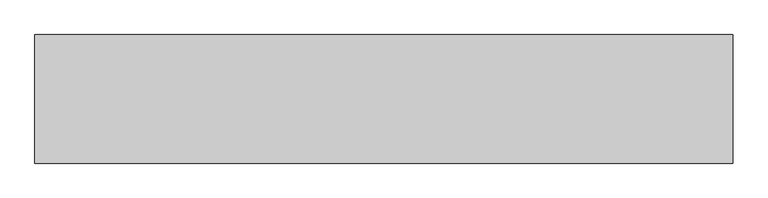
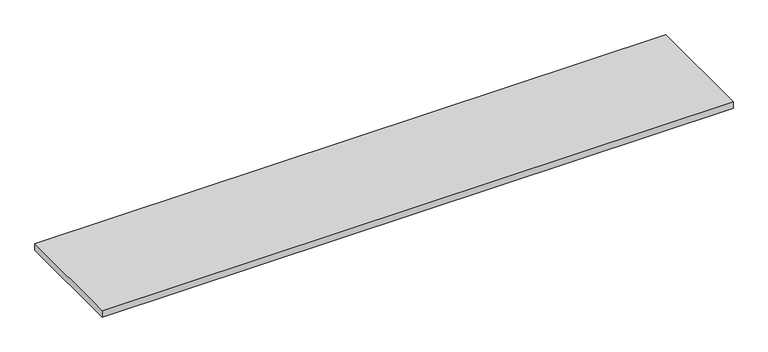
"""IFC4 building model written with IfcOpenShell, lengths in millimetres: furniture geometry."""

from ifc_helpers import new_model, si_unit, frame, origin, place, context, project, spatial, polyline, outline, extrude, source, transform, mapped, element, save


def furniture_7ed46dcf(model_context):
    return source(origin(), model_context, "Body", "SweptSolid", [
        extrude(outline(polyline([(1979.676, 833.501), (1979.676, 328.549), (-760.476, 328.549), (-760.476, 833.501), (1979.676, 833.501)])), frame((0.0, 0.0, 922.909), z_axis=(0.0, 0.0, 1.0), x_axis=(1.0, 0.0, 0.0)), (0.0, 0.0, 1.0), 29.591),
    ])


if __name__ == "__main__":
    model = new_model("IFC4")
    model_context = context("Model", 3, world=origin())
    ifc_project = project(units=[si_unit("LENGTHUNIT", "METRE", prefix="MILLI")], contexts=[model_context])
    site = spatial("IfcSite", under=ifc_project)
    building = spatial("IfcBuilding", under=site)
    placement = place(None, origin())
    furniture_shape = furniture_7ed46dcf(model_context)
    element("IfcFurniture", 1, at=placement, inside=building, context=model_context, shape_type="MappedRepresentation", body=[
        mapped(furniture_shape, transform((0.0, 0.0, 0.0), x_axis=(1.0, 0.0, 0.0), y_axis=(0.0, 1.0, 0.0), z_axis=(0.0, 0.0, 1.0))),
    ])
    save(model, "model.ifc")
